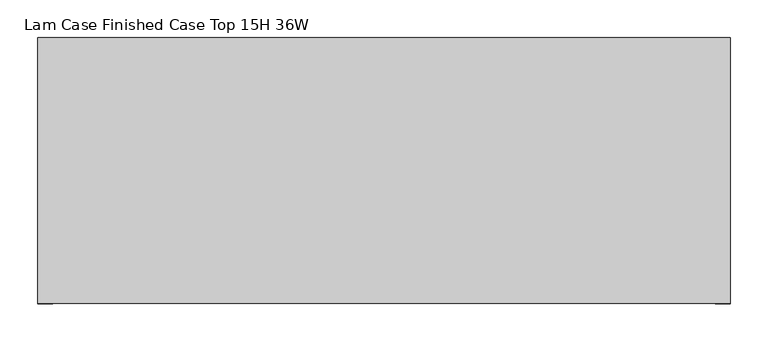
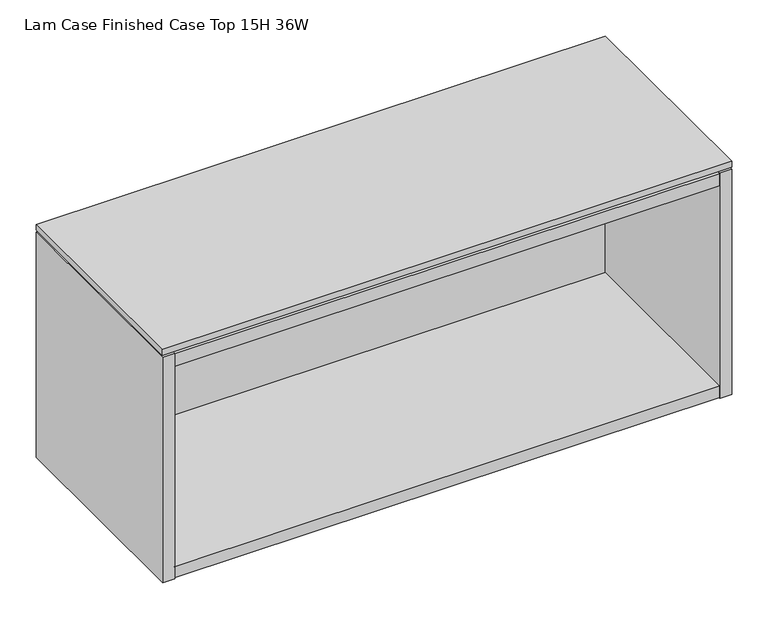
"""IFC4 building model written with IfcOpenShell, lengths in millimetres: furniture geometry, Lam Case Finished Case Top 15H 36W."""

from ifc_helpers import new_model, si_unit, frame, origin, place, context, project, spatial, polyline, outline, extrude, faceted_brep, source, transform, mapped, element, save


def lam_case_finished_case_top_15h_36w_f18912ac(model_context):
    return source(origin(), model_context, "Body", "SolidModel", [
        extrude(outline(polyline([(454.2234375, -191.0115724), (-457.2, -191.0115724), (-457.2, 158.8226276), (454.2234375, 158.8226276), (454.2234375, -191.0115724)])), frame((0.0, 0.0, 1425.702), z_axis=(0.0, 0.0, 1.0), x_axis=(1.0, 0.0, 0.0)), (0.0, 0.0, 1.0), 9.779),
        faceted_brep([(434.9194375, -191.0115724, 1061.466), (-437.896, -191.0115724, 1061.466), (-437.896, -191.0115724, 1042.162), (434.9194375, -191.0115724, 1042.162), (-437.896, 145.5282676, 1400.71475), (434.9194375, 145.5282676, 1400.71475), (434.9194375, 145.5282676, 1041.4), (-437.896, 145.5282676, 1041.4), (434.9194375, 126.2242676, 1061.466), (-437.896, 126.2242676, 1061.466), (-437.896, 126.2242676, 1042.162), (434.9194375, 126.2242676, 1042.162), (-437.896, 158.8226276, 1422.4), (-457.2, 158.8226276, 1422.4), (-457.2, -191.7735724, 1422.4), (-437.896, -191.7735724, 1422.4), (434.9194375, -191.7735724, 1422.4), (454.2234375, -191.7735724, 1422.4), (454.2234375, 158.8226276, 1422.4), (434.9194375, 158.8226276, 1422.4), (-437.896, -191.7735724, 1041.4), (-457.2, -191.7735724, 1041.4), (-457.2, 158.8226276, 1041.4), (-437.896, 158.8226276, 1041.4), (434.9194375, 158.8226276, 1041.4), (454.2234375, 158.8226276, 1041.4), (454.2234375, -191.7735724, 1041.4), (434.9194375, -191.7735724, 1041.4), (434.9194375, 126.2242676, 1041.4), (-437.896, 126.2242676, 1041.4), (-437.896, 158.8226276, 1421.638), (434.9194375, 158.8226276, 1421.638), (434.9194375, 158.8226276, 1400.71475), (-437.896, 158.8226276, 1400.71475), (-437.896, 126.2242676, 1400.71475), (-437.896, -191.0115724, 1400.71475), (-437.896, -191.0115724, 1421.638), (434.9194375, -191.0115724, 1421.638), (434.9194375, -191.0115724, 1400.71475), (434.9194375, 126.2242676, 1400.71475)], [[[0, 1, 2, 3]], [[4, 5, 6, 7]], [[1, 0, 8, 9]], [[3, 2, 10, 11]], [[12, 13, 14, 15]], [[16, 17, 18, 19]], [[20, 21, 22, 23, 7, 6, 24, 25, 26, 27, 28, 29]], [[13, 12, 30, 31, 19, 18, 25, 24, 32, 33, 23, 22]], [[14, 13, 22, 21]], [[15, 14, 21, 20]], [[4, 7, 23, 33]], [[12, 15, 20, 29, 10, 2, 1, 9, 34, 35, 36, 30]], [[6, 5, 32, 24]], [[16, 19, 31, 37, 38, 39, 8, 0, 3, 11, 28, 27]], [[17, 16, 27, 26]], [[18, 17, 26, 25]], [[37, 36, 35, 38]], [[36, 37, 31, 30]], [[33, 32, 5, 4]], [[38, 35, 34, 39]], [[9, 8, 39, 34]], [[29, 28, 11, 10]]]),
    ])


if __name__ == "__main__":
    model = new_model("IFC4")
    model_context = context("Model", 3, world=origin())
    ifc_project = project(units=[si_unit("LENGTHUNIT", "METRE", prefix="MILLI")], contexts=[model_context])
    site = spatial("IfcSite", under=ifc_project)
    building = spatial("IfcBuilding", under=site)
    placement = place(None, origin())
    lam_case_finished_case_top_15h_36w_shape = lam_case_finished_case_top_15h_36w_f18912ac(model_context)
    element("IfcFurniture", 1, ObjectType="Lam Case Finished Case Top 15H 36W", at=placement, inside=building, context=model_context, shape_type="MappedRepresentation", body=[
        mapped(lam_case_finished_case_top_15h_36w_shape, transform((0.0, 0.0, 0.0), x_axis=(1.0, 0.0, 0.0), y_axis=(0.0, 1.0, 0.0), z_axis=(0.0, 0.0, 1.0))),
    ])
    save(model, "model.ifc")
